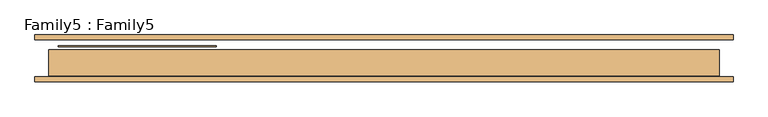
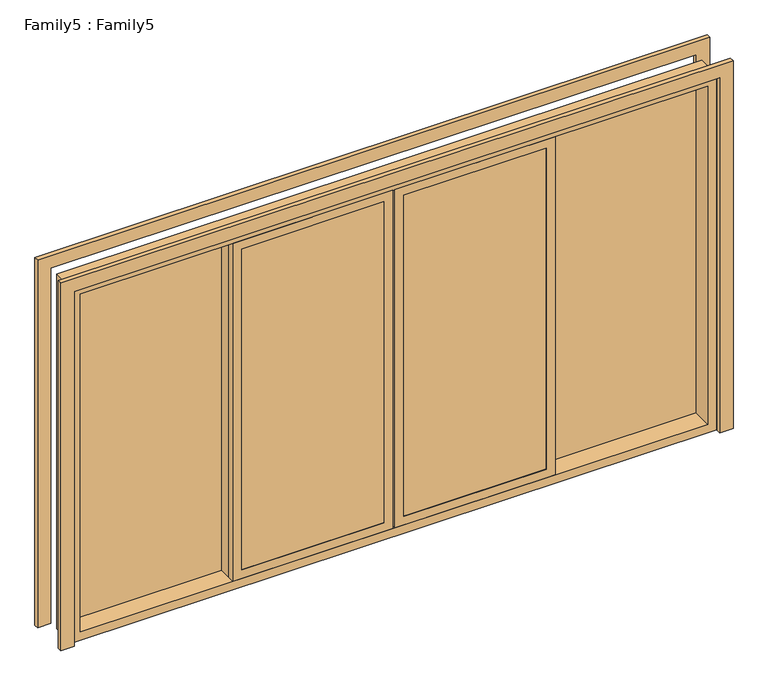
"""IFC4 building model written with IfcOpenShell, lengths in millimetres: door geometry, Family5 : Family5."""

from ifc_helpers import new_model, si_unit, frame, origin, place, context, project, spatial, polyline, outline, extrude, source, transform, mapped, element, save


def family5_family5_543362ea(model_context):
    return source(origin(), model_context, "Body", "SweptSolid", [
        extrude(outline(polyline([(2090.0, -1795.0), (2090.0, 1795.0), (0.0, 1795.0), (0.0, 1870.0), (2165.0, 1870.0), (2165.0, -1870.0), (0.0, -1870.0), (0.0, -1795.0), (2090.0, -1795.0)])), frame((0.0, 100.0, 0.0), z_axis=(0.0, 1.0, 0.0), x_axis=(0.0, 0.0, 1.0)), (0.0, 0.0, 1.0), 25.0),
        extrude(outline(polyline([(2165.0, -1870.0), (0.0, -1870.0), (0.0, -1795.0), (2090.0, -1795.0), (2090.0, 1795.0), (0.0, 1795.0), (0.0, 1870.0), (2165.0, 1870.0), (2165.0, -1870.0)])), frame((0.0, -125.0, 0.0), z_axis=(0.0, 1.0, 0.0), x_axis=(0.0, 0.0, 1.0)), (0.0, 0.0, 1.0), 25.0),
        extrude(outline(polyline([(847.5, -64.521699), (847.5, -68.521699), (55.0, -68.521699), (55.0, -64.521699), (847.5, -64.521699)])), frame((0.0, 0.0, 50.0), z_axis=(0.0, 0.0, 1.0), x_axis=(1.0, 0.0, 0.0)), (0.0, 0.0, 1.0), 1990.0),
        extrude(outline(polyline([(55.0, -88.521699), (847.5, -88.521699), (847.5, -92.521699), (55.0, -92.521699), (55.0, -88.521699)])), frame((0.0, 0.0, 50.0), z_axis=(0.0, 0.0, 1.0), x_axis=(1.0, 0.0, 0.0)), (0.0, 0.0, 1.0), 1990.0),
        extrude(outline(polyline([(-55.0, -64.521699), (-55.0, -68.521699), (-847.5, -68.521699), (-847.5, -64.521699), (-55.0, -64.521699)])), frame((0.0, 0.0, 50.0), z_axis=(0.0, 0.0, 1.0), x_axis=(1.0, 0.0, 0.0)), (0.0, 0.0, 1.0), 1990.0),
        extrude(outline(polyline([(-847.5, -88.521699), (-55.0, -88.521699), (-55.0, -92.521699), (-847.5, -92.521699), (-847.5, -88.521699)])), frame((0.0, 0.0, 50.0), z_axis=(0.0, 0.0, 1.0), x_axis=(1.0, 0.0, 0.0)), (0.0, 0.0, 1.0), 1990.0),
        extrude(outline(polyline([(1745.0, 44.5), (1745.0, 40.5), (897.5, 40.5), (897.5, 44.5), (1745.0, 44.5)])), frame((0.0, 0.0, 50.0), z_axis=(0.0, 0.0, 1.0), x_axis=(1.0, 0.0, 0.0)), (0.0, 0.0, 1.0), 1990.0),
        extrude(outline(polyline([(1745.0, 20.5), (1745.0, 16.5), (897.5, 16.5), (897.5, 20.5), (1745.0, 20.5)])), frame((0.0, 0.0, 50.0), z_axis=(0.0, 0.0, 1.0), x_axis=(1.0, 0.0, 0.0)), (0.0, 0.0, 1.0), 1990.0),
        extrude(outline(polyline([(-897.5, 65.75), (-897.5, 61.75), (-1745.0, 61.75), (-1745.0, 65.75), (-897.5, 65.75)])), frame((0.0, 0.0, 50.0), z_axis=(0.0, 0.0, 1.0), x_axis=(1.0, 0.0, 0.0)), (0.0, 0.0, 1.0), 1990.0),
        extrude(outline(polyline([(-1745.0, 16.75), (-897.5, 16.75), (-897.5, 12.75), (-1745.0, 12.75), (-1745.0, 16.75)])), frame((0.0, 0.0, 50.0), z_axis=(0.0, 0.0, 1.0), x_axis=(1.0, 0.0, 0.0)), (0.0, 0.0, 1.0), 1990.0),
        extrude(outline(polyline([(-847.6925619, -52.9519832), (-897.5, -52.9519832), (-897.5, 45.5457873), (-847.6925619, 45.5457873), (-847.6925619, -52.9519832)])), frame((0.0, 0.0, 50.0), z_axis=(0.0, 0.0, 1.0), x_axis=(1.0, 0.0, 0.0)), (0.0, 0.0, 1.0), 1990.0),
        extrude(outline(polyline([(847.3878227, -52.9519832), (847.3878227, 45.5457873), (897.5, 45.5457873), (897.5, -52.9519832), (847.3878227, -52.9519832)])), frame((0.0, 0.0, 50.0), z_axis=(0.0, 0.0, 1.0), x_axis=(1.0, 0.0, 0.0)), (0.0, 0.0, 1.0), 1990.0),
        extrude(outline(polyline([(2040.0, 897.5), (2040.0, 5.0), (50.0, 5.0), (50.0, 897.5), (2040.0, 897.5)]), holes=[polyline([(100.0, 55.0), (1990.0, 55.0), (1990.0, 847.5), (100.0, 847.5), (100.0, 55.0)])]), frame((0.0, -94.9519832, 0.0), z_axis=(0.0, 1.0, 0.0), x_axis=(0.0, 0.0, 1.0)), (0.0, 0.0, 1.0), 42.0),
        extrude(outline(polyline([(2040.0, -5.0), (2040.0, -897.5), (50.0, -897.5), (50.0, -5.0), (2040.0, -5.0)]), holes=[polyline([(100.0, -847.5), (1990.0, -847.5), (1990.0, -55.0), (100.0, -55.0), (100.0, -847.5)])]), frame((0.0, -94.9519832, 0.0), z_axis=(0.0, 1.0, 0.0), x_axis=(0.0, 0.0, 1.0)), (0.0, 0.0, 1.0), 42.0),
        extrude(outline(polyline([(2090.0, 1795.0), (2090.0, -1795.0), (0.0, -1795.0), (0.0, 1795.0), (2090.0, 1795.0)]), holes=[polyline([(50.0, 1745.0), (50.0, -1745.0), (2040.0, -1745.0), (2040.0, 1745.0), (50.0, 1745.0)])]), frame((0.0, -94.9519832, 0.0), z_axis=(0.0, 1.0, 0.0), x_axis=(0.0, 0.0, 1.0)), (0.0, 0.0, 1.0), 140.4977705),
    ])


if __name__ == "__main__":
    model = new_model("IFC4")
    model_context = context("Model", 3, world=origin())
    ifc_project = project(units=[si_unit("LENGTHUNIT", "METRE", prefix="MILLI")], contexts=[model_context])
    site = spatial("IfcSite", under=ifc_project)
    building = spatial("IfcBuilding", under=site)
    placement = place(None, origin())
    family5_family5_shape = family5_family5_543362ea(model_context)
    element("IfcDoor", 1, ObjectType="Family5 : Family5", at=placement, inside=building, context=model_context, shape_type="MappedRepresentation", body=[
        mapped(family5_family5_shape, transform((0.0, 0.0, 0.0), x_axis=(1.0, 0.0, 0.0), y_axis=(0.0, 1.0, 0.0), z_axis=(0.0, 0.0, 1.0))),
    ])
    save(model, "model.ifc")
